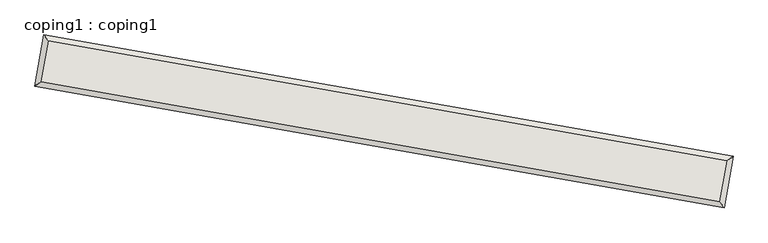
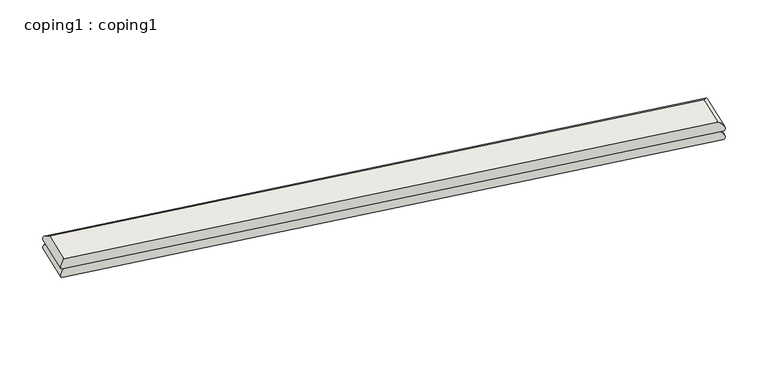
"""IFC4 building model written with IfcOpenShell, lengths in millimetres: wall geometry, coping1 : coping1."""

import ifcopenshell
import ifcopenshell.guid

model = None  # the IFC model being written
_history = None  # IfcOwnerHistory: only IFC2X3 demands one
_inside = {}  # id of a spatial element -> (the spatial element, [elements in it])
_under = {}  # id of a project, library or spatial element -> (it, [spatial elements below it])
_declared = {}  # id of a project -> (the project, [libraries it declares])
_typed = {}  # id of a type object -> (the type object, [elements of that type])
_made_of = {}  # id of a material, layer set ... -> (it, [elements and type objects made of it])


def new_model(schema):
    """Start an empty IFC model of exactly this schema.

    Asked for "IFC4X3", IfcOpenShell would pick the latest addendum, in which some entities
    have other attributes; the version numbers below select the first issue.
    IFC2X3 requires an IfcOwnerHistory on every rooted entity: one is made here for all.
    """
    global model, _history
    if schema == "IFC4X3":
        model = ifcopenshell.file(schema_version=(4, 3, 0, 0))
    else:
        model = ifcopenshell.file(schema=schema)
    _inside.clear()
    _under.clear()
    _declared.clear()
    _typed.clear()
    _made_of.clear()
    _history = None
    if model.schema == "IFC2X3":
        org = make("IfcOrganization", Name="unknown")
        user = make(
            "IfcPersonAndOrganization",
            ThePerson=make("IfcPerson", FamilyName="unknown"),
            TheOrganization=org,
        )
        app = make(
            "IfcApplication",
            ApplicationDeveloper=org,
            Version="unknown",
            ApplicationFullName="unknown",
            ApplicationIdentifier="unknown",
        )
        _history = make(
            "IfcOwnerHistory",
            OwningUser=user,
            OwningApplication=app,
            ChangeAction="ADDED",
            CreationDate=0,
        )
    return model


def make(cls, **values):
    """One entity of the class cls with the attributes given. An attribute that is None is left unset."""
    return model.create_entity(
        cls, **{name: value for name, value in values.items() if value is not None}
    )


def rooted(cls, **values):
    """An entity with a GlobalId (a new one), such as an element, a storey or a relation."""
    return make(cls, GlobalId=ifcopenshell.guid.new(), OwnerHistory=_history, **values)


def si_unit(unit_type, name, prefix=None):
    """IfcSIUnit, for example si_unit("LENGTHUNIT", "METRE", prefix="MILLI")."""
    return make("IfcSIUnit", UnitType=unit_type, Prefix=prefix, Name=name)


def assignment(units):
    """IfcUnitAssignment: the units of a project."""
    return None if units is None else make("IfcUnitAssignment", Units=units)


def point(xyz):
    """IfcCartesianPoint."""
    return None if xyz is None else make("IfcCartesianPoint", Coordinates=xyz)


def direction(xyz):
    """IfcDirection."""
    return None if xyz is None else make("IfcDirection", DirectionRatios=xyz)


def frame(location, z_axis=None, x_axis=None):
    """IfcAxis2Placement3D, a coordinate frame: its origin and axes. An axis left out is left unset."""
    return make(
        "IfcAxis2Placement3D",
        Location=point(location),
        Axis=direction(z_axis),
        RefDirection=direction(x_axis),
    )


def origin():
    """The frame at (0, 0, 0) with its axes left unset."""
    return frame((0.0, 0.0, 0.0))


def place(relative_to, where):
    """IfcLocalPlacement: puts the frame where relative to a parent placement (None: the world)."""
    return make(
        "IfcLocalPlacement", PlacementRelTo=relative_to, RelativePlacement=where
    )


def context(
    kind, dimensions, precision=None, world=None, true_north=None, identifier=None
):
    """IfcGeometricRepresentationContext, for example the 3D "Model" context."""
    return make(
        "IfcGeometricRepresentationContext",
        ContextIdentifier=identifier,
        ContextType=kind,
        CoordinateSpaceDimension=dimensions,
        Precision=precision,
        WorldCoordinateSystem=world,
        TrueNorth=true_north,
    )


def project(units=None, contexts=None):
    """IfcProject with its units and contexts."""
    return rooted(
        "IfcProject",
        Name="project",
        RepresentationContexts=contexts,
        UnitsInContext=assignment(units),
    )


def spatial(cls, under=None, at=None, **own):
    """A site, building, storey or space (cls), placed at a placement, below another one or the project."""
    s = rooted(cls, ObjectPlacement=at, **own)
    if under is not None:
        _under.setdefault(under.id(), (under, []))[1].append(s)
    return s


def ellipse_curve(where, semi_axis1, semi_axis2):
    """IfcEllipse in the frame where."""
    return make(
        "IfcEllipse", Position=where, SemiAxis1=semi_axis1, SemiAxis2=semi_axis2
    )


def shape(context_of_items, identifier, shape_type, items):
    """IfcShapeRepresentation: the items that make up one representation, for example the "Body"."""
    return make(
        "IfcShapeRepresentation",
        ContextOfItems=context_of_items,
        RepresentationIdentifier=identifier,
        RepresentationType=shape_type,
        Items=items,
    )


def source(mapping_origin, context_of_items, identifier, shape_type, items):
    """IfcRepresentationMap: a shape defined once, which mapped items show again and again."""
    return make(
        "IfcRepresentationMap",
        MappingOrigin=mapping_origin,
        MappedRepresentation=shape(context_of_items, identifier, shape_type, items),
    )


def transform(
    local_origin,
    x_axis=None,
    y_axis=None,
    z_axis=None,
    scale=None,
    scale2=None,
    scale3=None,
    uniform=True,
):
    """IfcCartesianTransformationOperator3D, or its non-uniform kind. x_axis, y_axis, z_axis: its Axis1, 2, 3."""
    if uniform:
        return make(
            "IfcCartesianTransformationOperator3D",
            Axis1=direction(x_axis),
            Axis2=direction(y_axis),
            LocalOrigin=point(local_origin),
            Scale=scale,
            Axis3=direction(z_axis),
        )
    return make(
        "IfcCartesianTransformationOperator3DnonUniform",
        Axis1=direction(x_axis),
        Axis2=direction(y_axis),
        LocalOrigin=point(local_origin),
        Scale=scale,
        Axis3=direction(z_axis),
        Scale2=scale2,
        Scale3=scale3,
    )


def mapped(mapping_source, mapping_target):
    """IfcMappedItem: shows the shape of a source again, moved by a transform."""
    return make(
        "IfcMappedItem", MappingSource=mapping_source, MappingTarget=mapping_target
    )


def made_of(thing, what):
    """Note that an element or type object is made of a material, layer set ...; save() writes the relation."""
    if what is not None:
        _made_of.setdefault(what.id(), (what, []))[1].append(thing)
    return thing


def element(
    cls,
    number,
    at=None,
    inside=None,
    cuts=None,
    type_object=None,
    material=None,
    context=None,
    identifier="Body",
    shape_type=None,
    held_by="IfcProductDefinitionShape",
    body=None,
    shapes=None,
    **own,
):
    """One element of the class cls, such as IfcWall. Its Tag is "e" and its number.

    at: its placement. inside: the storey or other place that contains it. cuts: it is an
    opening in that element (IfcRelVoidsElement). A single representation is given by context,
    identifier, shape_type and body (its items); several are given by shapes. held_by: the class
    of the entity that holds the representations. save() writes the other relations.
    """
    e = rooted(cls, Tag="e%d" % number, ObjectPlacement=at, **own)
    if body is not None:
        shapes = [shape(context, identifier, shape_type, body)]
    if shapes is not None:
        e.Representation = make(held_by, Representations=shapes)
    if inside is not None:
        _inside.setdefault(inside.id(), (inside, []))[1].append(e)
    if cuts is not None:
        rooted(
            "IfcRelVoidsElement", RelatingBuildingElement=cuts, RelatedOpeningElement=e
        )
    if type_object is not None:
        _typed.setdefault(type_object.id(), (type_object, []))[1].append(e)
    return made_of(e, material)


def aggregate(whole, parts):
    """IfcRelAggregates: a whole, such as a stair, and the parts it consists of."""
    return rooted("IfcRelAggregates", RelatingObject=whole, RelatedObjects=parts)


def save(model, path):
    """Write the relations noted so far, then the file.

    IfcRelAggregates (storeys below a building ...), IfcRelContainedInSpatialStructure (elements
    in a storey), IfcRelDefinesByType, IfcRelAssociatesMaterial and IfcRelDeclares: one each for
    every whole, place, type object, material and project.
    """
    for whole, parts in _under.values():
        aggregate(whole, parts)
    for where, things in _inside.values():
        rooted(
            "IfcRelContainedInSpatialStructure",
            RelatedElements=things,
            RelatingStructure=where,
        )
    for kind, things in _typed.values():
        rooted("IfcRelDefinesByType", RelatedObjects=things, RelatingType=kind)
    for what, things in _made_of.values():
        rooted("IfcRelAssociatesMaterial", RelatedObjects=things, RelatingMaterial=what)
    for by, libraries in _declared.values():
        rooted("IfcRelDeclares", RelatingContext=by, RelatedDefinitions=libraries)
    model.write(path)


def plane_surface(at):
    """IfcPlane: the flat surface through the origin of the frame at, square to its z axis."""
    return make("IfcPlane", Position=at)


def cylinder_surface(at, radius):
    """IfcCylindricalSurface: all points at the distance radius from the z axis of the frame at."""
    return make("IfcCylindricalSurface", Position=at, Radius=radius)


def advanced_brep(points, edges, surfaces, faces):
    """IfcAdvancedBrep: a solid bounded by faces that lie on surfaces and meet in shared edges.

    An edge is (start, end): straight between two places in points (the first is 0);
    or (start, end, curve); or (start, end, curve, False) where it runs against its curve.
    A face is (place in surfaces, loops), or (place, loops, False) where it looks against
    its surface's normal. A loop lists edges by number (the first is 1), with a minus sign
    where the edge is run from its end to its start. The first loop is the outer one.
    """
    corners = [point(p) for p in points]
    vertices = [make("IfcVertexPoint", VertexGeometry=c) for c in corners]
    made = []
    for start, end, *more in edges:
        made.append(
            make(
                "IfcEdgeCurve",
                EdgeStart=vertices[start],
                EdgeEnd=vertices[end],
                EdgeGeometry=more[0] if more else make("IfcPolyline", Points=[corners[start], corners[end]]),
                SameSense=more[1] if len(more) > 1 else True,
            )
        )
    hull = []
    for where, loops, *sense in faces:
        bounds = []
        for j, loop in enumerate(loops):
            ring = [make("IfcOrientedEdge", EdgeElement=made[abs(k) - 1], Orientation=k > 0) for k in loop]
            bounds.append(
                make(
                    "IfcFaceOuterBound" if j == 0 else "IfcFaceBound",
                    Bound=make("IfcEdgeLoop", EdgeList=ring),
                    Orientation=True,
                )
            )
        hull.append(make("IfcAdvancedFace", Bounds=bounds, FaceSurface=surfaces[where], SameSense=sense[0] if sense else True))
    return make("IfcAdvancedBrep", Outer=make("IfcClosedShell", CfsFaces=hull))


def coping1_coping1_e5b145ce(model_context):
    return source(origin(), model_context, "Body", "AdvancedBrep", [
        advanced_brep(
        [(5719.5131234, 1241.4184759, 6172.2), (5719.5131234, 1241.4184759, 6096.0), (5772.4410879, 1541.587879, 6096.0), (5772.4410879, 1541.587879, 6172.2), (5772.4410879, 1541.587879, 6248.4), (5719.5131234, 1241.4184759, 6248.4), (794.6318196, 2419.3099578, 6096.0), (794.6318196, 2419.3099578, 6172.2), (794.6318196, 2419.3099578, 6248.4), (741.703855, 2119.1405547, 6096.0), (741.703855, 2119.1405547, 6172.2), (741.703855, 2119.1405547, 6248.4)],
        [
            (0, 1, ellipse_curve(frame((5719.5131234, 1241.4184759, 6134.1), z_axis=(0.8191520442889924, 0.5735764363510453, 0.0), x_axis=(0.5735764363510453, -0.8191520442889922, 0.0)), 53.8815367, 38.1)),
            (1, 2),
            (2, 3, ellipse_curve(frame((5772.4410879, 1541.587879, 6134.1), z_axis=(0.573576436351045, -0.8191520442889926, 0.0), x_axis=(-0.8191520442889926, -0.5735764363510449, 0.0)), 53.8815367, 38.1)),
            (3, 0),
            (3, 4, ellipse_curve(frame((5772.4410879, 1541.587879, 6210.3), z_axis=(0.573576436351045, -0.8191520442889926, 0.0), x_axis=(-0.8191520442889926, -0.5735764363510449, 0.0)), 53.8815367, 38.1)),
            (4, 5),
            (5, 0, ellipse_curve(frame((5719.5131234, 1241.4184759, 6210.3), z_axis=(0.8191520442889924, 0.5735764363510453, 0.0), x_axis=(0.5735764363510453, -0.8191520442889922, 0.0)), 53.8815367, 38.1)),
            (2, 6),
            (6, 7, ellipse_curve(frame((794.6318196, 2419.3099578, 6134.1), z_axis=(0.8191520442889932, 0.5735764363510439, 0.0), x_axis=(0.5735764363510442, -0.8191520442889931, 0.0)), 53.8815367, 38.1)),
            (7, 3),
            (7, 8, ellipse_curve(frame((794.6318196, 2419.3099578, 6210.3), z_axis=(0.8191520442889932, 0.5735764363510439, 0.0), x_axis=(0.5735764363510442, -0.8191520442889931, 0.0)), 53.8815367, 38.1)),
            (8, 4),
            (6, 9),
            (9, 10, ellipse_curve(frame((741.703855, 2119.1405547, 6134.1), z_axis=(-0.5735764363510443, 0.8191520442889931, 0.0), x_axis=(0.8191520442889931, 0.573576436351044, 0.0)), 53.8815367, 38.1)),
            (10, 7),
            (10, 11, ellipse_curve(frame((741.703855, 2119.1405547, 6210.3), z_axis=(-0.5735764363510443, 0.8191520442889931, 0.0), x_axis=(0.8191520442889931, 0.573576436351044, 0.0)), 53.8815367, 38.1)),
            (11, 8),
            (0, 10),
            (9, 1),
            (5, 11),
        ],
        [
            cylinder_surface(frame((5728.3344508, 1291.4467097, 6134.1), z_axis=(-0.17364817766693025, -0.9848077530122081, 0.0), x_axis=(-0.9848077530122081, 0.17364817766693025, 0.0)), 38.1),
            cylinder_surface(frame((5728.3344508, 1291.4467097, 6210.3), z_axis=(-0.17364817766693025, -0.9848077530122081, 0.0), x_axis=(-0.9848077530122081, 0.17364817766693025, 0.0)), 38.1),
            cylinder_surface(frame((5722.4128541, 1550.4092064, 6134.1), z_axis=(0.9848077530122076, -0.17364817766693316, 0.0), x_axis=(-0.17364817766693316, -0.9848077530122076, 0.0)), 38.1),
            cylinder_surface(frame((5722.4128541, 1550.4092064, 6210.3), z_axis=(0.9848077530122076, -0.17364817766693316, 0.0), x_axis=(-0.17364817766693316, -0.9848077530122076, 0.0)), 38.1),
            cylinder_surface(frame((785.8104921, 2369.281724, 6134.1), z_axis=(0.1736481776669326, 0.9848077530122077, 0.0), x_axis=(0.9848077530122077, -0.1736481776669326, 0.0)), 38.1),
            cylinder_surface(frame((785.8104921, 2369.281724, 6210.3), z_axis=(0.1736481776669326, 0.9848077530122077, 0.0), x_axis=(0.9848077530122077, -0.1736481776669326, 0.0)), 38.1),
            cylinder_surface(frame((791.7320889, 2110.3192273, 6134.1), z_axis=(-0.9848077530122077, 0.17364817766693244, 0.0), x_axis=(0.17364817766693244, 0.9848077530122077, 0.0)), 38.1),
            cylinder_surface(frame((791.7320889, 2110.3192273, 6210.3), z_axis=(-0.9848077530122077, 0.17364817766693244, 0.0), x_axis=(0.17364817766693244, 0.9848077530122077, 0.0)), 38.1),
            plane_surface(frame((741.703855, 2119.1405547, 6248.4), z_axis=(0.0, 0.0, 1.0), x_axis=(0.9848077530122076, -0.17364817766693336, 0.0))),
            plane_surface(frame((800.5534163, 2160.3474612, 6096.0), z_axis=(0.0, 0.0, -1.0), x_axis=(0.9848077530122076, -0.17364817766693327, 0.0))),
        ],
        [
            (0, [[1, 2, 3, 4]]),
            (1, [[-4, 5, 6, 7]]),
            (2, [[-3, 8, 9, 10]]),
            (3, [[-5, -10, 11, 12]]),
            (4, [[-9, 13, 14, 15]]),
            (5, [[-11, -15, 16, 17]]),
            (6, [[-1, 18, -14, 19]]),
            (7, [[-7, 20, -16, -18]]),
            (8, [[-6, -12, -17, -20]]),
            (9, [[-2, -19, -13, -8]]),
        ],
    ),
    ])


if __name__ == "__main__":
    model = new_model("IFC4")
    model_context = context("Model", 3, world=origin())
    ifc_project = project(units=[si_unit("LENGTHUNIT", "METRE", prefix="MILLI")], contexts=[model_context])
    site = spatial("IfcSite", under=ifc_project)
    building = spatial("IfcBuilding", under=site)
    placement = place(None, origin())
    coping1_coping1_shape = coping1_coping1_e5b145ce(model_context)
    element("IfcWall", 1, ObjectType="coping1 : coping1", at=placement, inside=building, context=model_context, shape_type="MappedRepresentation", body=[
        mapped(coping1_coping1_shape, transform((0.0, 0.0, 0.0), x_axis=(1.0, 0.0, 0.0), y_axis=(0.0, 1.0, 0.0), z_axis=(0.0, 0.0, 1.0))),
    ])
    save(model, "model.ifc")
